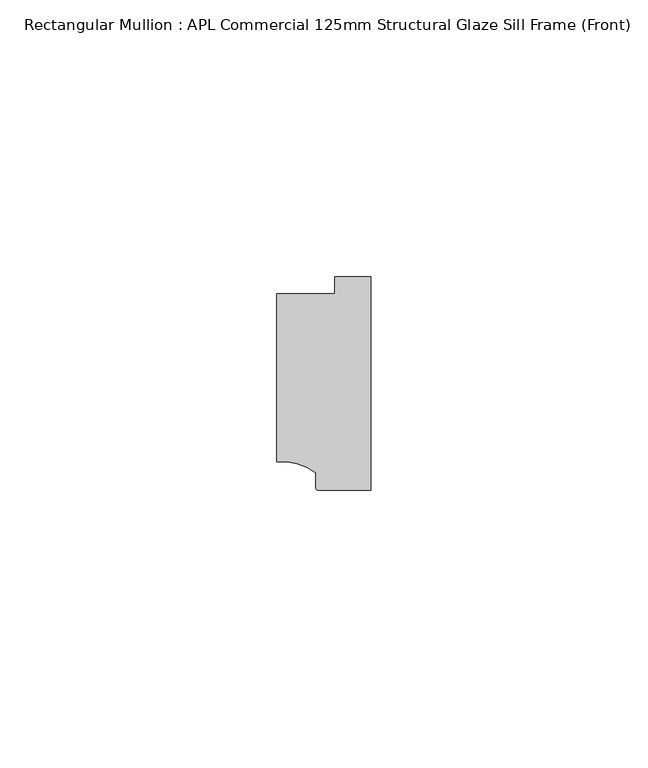
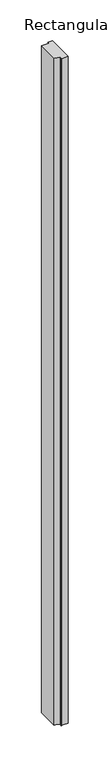
"""IFC4 building model written with IfcOpenShell, lengths in millimetres: member geometry, Rectangular Mullion : APL Commercial 125mm Structural Glaze Sill Frame (Front)."""

import ifcopenshell
import ifcopenshell.guid

model = None  # the IFC model being written
_history = None  # IfcOwnerHistory: only IFC2X3 demands one
_inside = {}  # id of a spatial element -> (the spatial element, [elements in it])
_under = {}  # id of a project, library or spatial element -> (it, [spatial elements below it])
_declared = {}  # id of a project -> (the project, [libraries it declares])
_typed = {}  # id of a type object -> (the type object, [elements of that type])
_made_of = {}  # id of a material, layer set ... -> (it, [elements and type objects made of it])


def new_model(schema):
    """Start an empty IFC model of exactly this schema.

    Asked for "IFC4X3", IfcOpenShell would pick the latest addendum, in which some entities
    have other attributes; the version numbers below select the first issue.
    IFC2X3 requires an IfcOwnerHistory on every rooted entity: one is made here for all.
    """
    global model, _history
    if schema == "IFC4X3":
        model = ifcopenshell.file(schema_version=(4, 3, 0, 0))
    else:
        model = ifcopenshell.file(schema=schema)
    _inside.clear()
    _under.clear()
    _declared.clear()
    _typed.clear()
    _made_of.clear()
    _history = None
    if model.schema == "IFC2X3":
        org = make("IfcOrganization", Name="unknown")
        user = make(
            "IfcPersonAndOrganization",
            ThePerson=make("IfcPerson", FamilyName="unknown"),
            TheOrganization=org,
        )
        app = make(
            "IfcApplication",
            ApplicationDeveloper=org,
            Version="unknown",
            ApplicationFullName="unknown",
            ApplicationIdentifier="unknown",
        )
        _history = make(
            "IfcOwnerHistory",
            OwningUser=user,
            OwningApplication=app,
            ChangeAction="ADDED",
            CreationDate=0,
        )
    return model


def make(cls, **values):
    """One entity of the class cls with the attributes given. An attribute that is None is left unset."""
    return model.create_entity(
        cls, **{name: value for name, value in values.items() if value is not None}
    )


def rooted(cls, **values):
    """An entity with a GlobalId (a new one), such as an element, a storey or a relation."""
    return make(cls, GlobalId=ifcopenshell.guid.new(), OwnerHistory=_history, **values)


def si_unit(unit_type, name, prefix=None):
    """IfcSIUnit, for example si_unit("LENGTHUNIT", "METRE", prefix="MILLI")."""
    return make("IfcSIUnit", UnitType=unit_type, Prefix=prefix, Name=name)


def assignment(units):
    """IfcUnitAssignment: the units of a project."""
    return None if units is None else make("IfcUnitAssignment", Units=units)


def point(xyz):
    """IfcCartesianPoint."""
    return None if xyz is None else make("IfcCartesianPoint", Coordinates=xyz)


def direction(xyz):
    """IfcDirection."""
    return None if xyz is None else make("IfcDirection", DirectionRatios=xyz)


def frame(location, z_axis=None, x_axis=None):
    """IfcAxis2Placement3D, a coordinate frame: its origin and axes. An axis left out is left unset."""
    return make(
        "IfcAxis2Placement3D",
        Location=point(location),
        Axis=direction(z_axis),
        RefDirection=direction(x_axis),
    )


def frame_2d(location, x_axis=None):
    """IfcAxis2Placement2D, a coordinate frame in the plane: its origin and x axis."""
    return make(
        "IfcAxis2Placement2D", Location=point(location), RefDirection=direction(x_axis)
    )


def origin():
    """The frame at (0, 0, 0) with its axes left unset."""
    return frame((0.0, 0.0, 0.0))


def place(relative_to, where):
    """IfcLocalPlacement: puts the frame where relative to a parent placement (None: the world)."""
    return make(
        "IfcLocalPlacement", PlacementRelTo=relative_to, RelativePlacement=where
    )


def context(
    kind, dimensions, precision=None, world=None, true_north=None, identifier=None
):
    """IfcGeometricRepresentationContext, for example the 3D "Model" context."""
    return make(
        "IfcGeometricRepresentationContext",
        ContextIdentifier=identifier,
        ContextType=kind,
        CoordinateSpaceDimension=dimensions,
        Precision=precision,
        WorldCoordinateSystem=world,
        TrueNorth=true_north,
    )


def project(units=None, contexts=None):
    """IfcProject with its units and contexts."""
    return rooted(
        "IfcProject",
        Name="project",
        RepresentationContexts=contexts,
        UnitsInContext=assignment(units),
    )


def spatial(cls, under=None, at=None, **own):
    """A site, building, storey or space (cls), placed at a placement, below another one or the project."""
    s = rooted(cls, ObjectPlacement=at, **own)
    if under is not None:
        _under.setdefault(under.id(), (under, []))[1].append(s)
    return s


def polyline(points):
    """IfcPolyline through the points."""
    return make("IfcPolyline", Points=[point(p) for p in points])


def circle_curve(where, radius):
    """IfcCircle in the frame where."""
    return make("IfcCircle", Position=where, Radius=radius)


def trimmed(basis, trim1, trim2, sense, master):
    """IfcTrimmedCurve: the piece of a basis curve between two trims."""
    return make(
        "IfcTrimmedCurve",
        BasisCurve=basis,
        Trim1=trim1,
        Trim2=trim2,
        SenseAgreement=sense,
        MasterRepresentation=master,
    )


def segment(curve, same_sense, transition):
    """IfcCompositeCurveSegment."""
    return make(
        "IfcCompositeCurveSegment",
        Transition=transition,
        SameSense=same_sense,
        ParentCurve=curve,
    )


def composite_curve(segments, self_intersect=None):
    """IfcCompositeCurve: segments joined end to end."""
    return make("IfcCompositeCurve", Segments=segments, SelfIntersect=self_intersect)


def outline(outer, holes=None, kind="AREA"):
    """IfcArbitraryClosedProfileDef: a profile drawn as a closed curve; with holes, ...WithVoids."""
    if holes is None:
        return make("IfcArbitraryClosedProfileDef", ProfileType=kind, OuterCurve=outer)
    return make(
        "IfcArbitraryProfileDefWithVoids",
        ProfileType=kind,
        OuterCurve=outer,
        InnerCurves=holes,
    )


def extrude(swept, where, along, depth):
    """IfcExtrudedAreaSolid: the profile swept, set in the frame where, extruded along a direction by depth."""
    return make(
        "IfcExtrudedAreaSolid",
        SweptArea=swept,
        Position=where,
        ExtrudedDirection=direction(along),
        Depth=depth,
    )


def shape(context_of_items, identifier, shape_type, items):
    """IfcShapeRepresentation: the items that make up one representation, for example the "Body"."""
    return make(
        "IfcShapeRepresentation",
        ContextOfItems=context_of_items,
        RepresentationIdentifier=identifier,
        RepresentationType=shape_type,
        Items=items,
    )


def source(mapping_origin, context_of_items, identifier, shape_type, items):
    """IfcRepresentationMap: a shape defined once, which mapped items show again and again."""
    return make(
        "IfcRepresentationMap",
        MappingOrigin=mapping_origin,
        MappedRepresentation=shape(context_of_items, identifier, shape_type, items),
    )


def transform(
    local_origin,
    x_axis=None,
    y_axis=None,
    z_axis=None,
    scale=None,
    scale2=None,
    scale3=None,
    uniform=True,
):
    """IfcCartesianTransformationOperator3D, or its non-uniform kind. x_axis, y_axis, z_axis: its Axis1, 2, 3."""
    if uniform:
        return make(
            "IfcCartesianTransformationOperator3D",
            Axis1=direction(x_axis),
            Axis2=direction(y_axis),
            LocalOrigin=point(local_origin),
            Scale=scale,
            Axis3=direction(z_axis),
        )
    return make(
        "IfcCartesianTransformationOperator3DnonUniform",
        Axis1=direction(x_axis),
        Axis2=direction(y_axis),
        LocalOrigin=point(local_origin),
        Scale=scale,
        Axis3=direction(z_axis),
        Scale2=scale2,
        Scale3=scale3,
    )


def mapped(mapping_source, mapping_target):
    """IfcMappedItem: shows the shape of a source again, moved by a transform."""
    return make(
        "IfcMappedItem", MappingSource=mapping_source, MappingTarget=mapping_target
    )


def made_of(thing, what):
    """Note that an element or type object is made of a material, layer set ...; save() writes the relation."""
    if what is not None:
        _made_of.setdefault(what.id(), (what, []))[1].append(thing)
    return thing


def element(
    cls,
    number,
    at=None,
    inside=None,
    cuts=None,
    type_object=None,
    material=None,
    context=None,
    identifier="Body",
    shape_type=None,
    held_by="IfcProductDefinitionShape",
    body=None,
    shapes=None,
    **own,
):
    """One element of the class cls, such as IfcWall. Its Tag is "e" and its number.

    at: its placement. inside: the storey or other place that contains it. cuts: it is an
    opening in that element (IfcRelVoidsElement). A single representation is given by context,
    identifier, shape_type and body (its items); several are given by shapes. held_by: the class
    of the entity that holds the representations. save() writes the other relations.
    """
    e = rooted(cls, Tag="e%d" % number, ObjectPlacement=at, **own)
    if body is not None:
        shapes = [shape(context, identifier, shape_type, body)]
    if shapes is not None:
        e.Representation = make(held_by, Representations=shapes)
    if inside is not None:
        _inside.setdefault(inside.id(), (inside, []))[1].append(e)
    if cuts is not None:
        rooted(
            "IfcRelVoidsElement", RelatingBuildingElement=cuts, RelatedOpeningElement=e
        )
    if type_object is not None:
        _typed.setdefault(type_object.id(), (type_object, []))[1].append(e)
    return made_of(e, material)


def aggregate(whole, parts):
    """IfcRelAggregates: a whole, such as a stair, and the parts it consists of."""
    return rooted("IfcRelAggregates", RelatingObject=whole, RelatedObjects=parts)


def save(model, path):
    """Write the relations noted so far, then the file.

    IfcRelAggregates (storeys below a building ...), IfcRelContainedInSpatialStructure (elements
    in a storey), IfcRelDefinesByType, IfcRelAssociatesMaterial and IfcRelDeclares: one each for
    every whole, place, type object, material and project.
    """
    for whole, parts in _under.values():
        aggregate(whole, parts)
    for where, things in _inside.values():
        rooted(
            "IfcRelContainedInSpatialStructure",
            RelatedElements=things,
            RelatingStructure=where,
        )
    for kind, things in _typed.values():
        rooted("IfcRelDefinesByType", RelatedObjects=things, RelatingType=kind)
    for what, things in _made_of.values():
        rooted("IfcRelAssociatesMaterial", RelatedObjects=things, RelatingMaterial=what)
    for by, libraries in _declared.values():
        rooted("IfcRelDeclares", RelatingContext=by, RelatedDefinitions=libraries)
    model.write(path)


def rectangular_mullion_apl_commercial_125mm_structural_glaze_da266866(model_context):
    return source(origin(), model_context, "Body", "SweptSolid", [
        extrude(outline(composite_curve([segment(polyline([(-16.999942, -15.3793144), (-16.999942, 15.0004332), (-6.5000029, 15.0004332), (-6.5000029, 18.0281616), (0.0, 18.0281616), (0.0, -20.49978), (-9.5000029, -20.49978)]), True, "CONTINUOUS"), segment(trimmed(circle_curve(frame_2d((-9.5000029, -19.99978)), 0.5), [point((-9.5000029, -20.49978))], [point((-10.0, -19.9980675))], False, "CARTESIAN"), True, "CONTINUOUS"), segment(polyline([(-10.0, -19.9980675), (-10.0, -17.3120901)]), True, "CONTINUOUS"), segment(trimmed(circle_curve(frame_2d((-16.1098048, -25.7977481)), 10.4563907), [point((-10.0, -17.3120901))], [point((-16.999942, -15.3793144))], True, "CARTESIAN"), True, "CONTINUOUS")], self_intersect=False)), frame((0.0, 0.0, -999.041864), z_axis=(0.0, 0.0, 1.0), x_axis=(1.0, 0.0, 0.0)), (0.0, 0.0, 1.0), 999.041864),
    ])


if __name__ == "__main__":
    model = new_model("IFC4")
    model_context = context("Model", 3, world=origin())
    ifc_project = project(units=[si_unit("LENGTHUNIT", "METRE", prefix="MILLI")], contexts=[model_context])
    site = spatial("IfcSite", under=ifc_project)
    building = spatial("IfcBuilding", under=site)
    placement = place(None, origin())
    rectangular_mullion_apl_commercial_125mm_structural_glaze_shape = rectangular_mullion_apl_commercial_125mm_structural_glaze_da266866(model_context)
    element("IfcMember", 1, ObjectType="Rectangular Mullion : APL Commercial 125mm Structural Glaze Sill Frame (Front)", at=placement, inside=building, context=model_context, shape_type="MappedRepresentation", body=[
        mapped(rectangular_mullion_apl_commercial_125mm_structural_glaze_shape, transform((0.0, 0.0, 0.0), x_axis=(1.0, 0.0, 0.0), y_axis=(0.0, 1.0, 0.0), z_axis=(0.0, 0.0, 1.0))),
    ])
    save(model, "model.ifc")
